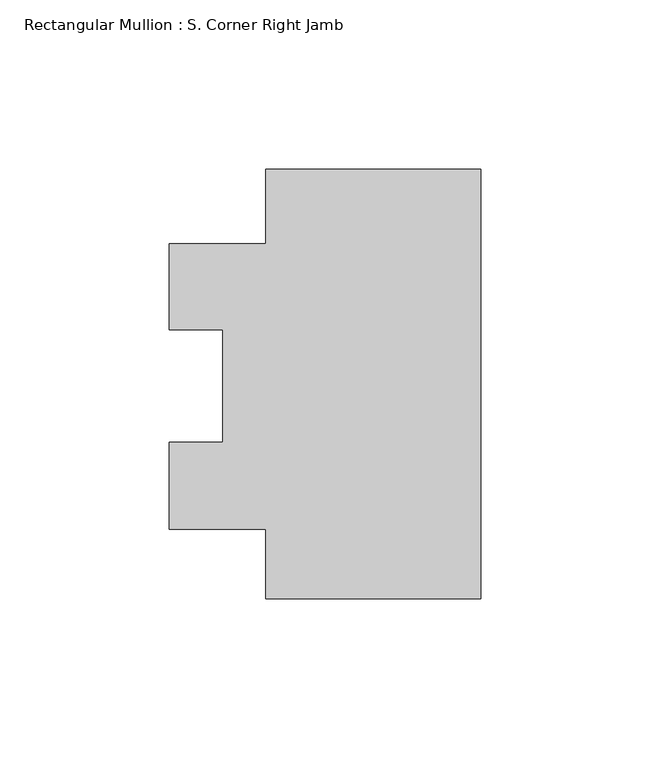
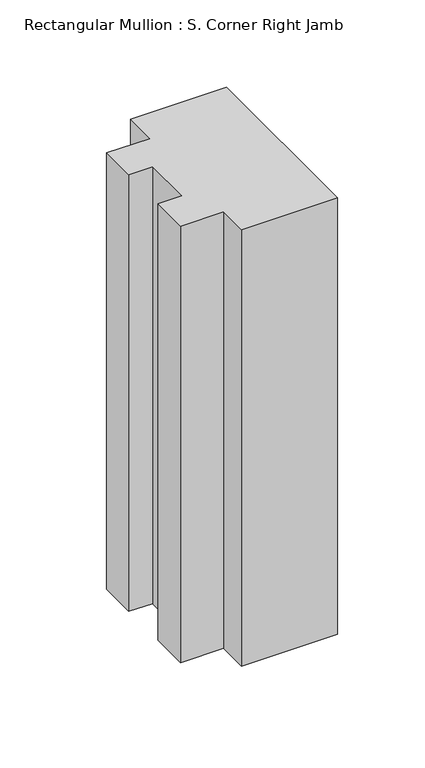
"""IFC4 building model written with IfcOpenShell, lengths in millimetres: member geometry, Rectangular Mullion : S. Corner Right Jamb."""

from ifc_helpers import new_model, si_unit, frame, origin, place, context, project, spatial, polyline, outline, extrude, source, transform, mapped, element, save


def rectangular_mullion_s_corner_right_jamb_1b1fb70d(model_context):
    return source(origin(), model_context, "Body", "SweptSolid", [
        extrude(outline(polyline([(-63.5, 80.97072), (0.0, 80.97072), (0.0, -46.02928), (-63.5, -46.02928), (-63.5, -25.48068), (-92.075, -25.48068), (-92.075, 0.15363), (-76.2, 0.15363), (-76.2, 33.5166513), (-92.075, 33.5166513), (-92.075, 58.84732), (-63.5, 58.84732), (-63.5, 80.97072)])), frame((0.0, 0.0, -304.8), z_axis=(0.0, 0.0, 1.0), x_axis=(1.0, 0.0, 0.0)), (0.0, 0.0, 1.0), 304.8),
    ])


if __name__ == "__main__":
    model = new_model("IFC4")
    model_context = context("Model", 3, world=origin())
    ifc_project = project(units=[si_unit("LENGTHUNIT", "METRE", prefix="MILLI")], contexts=[model_context])
    site = spatial("IfcSite", under=ifc_project)
    building = spatial("IfcBuilding", under=site)
    placement = place(None, origin())
    rectangular_mullion_s_corner_right_jamb_shape = rectangular_mullion_s_corner_right_jamb_1b1fb70d(model_context)
    element("IfcMember", 1, ObjectType="Rectangular Mullion : S. Corner Right Jamb", at=placement, inside=building, context=model_context, shape_type="MappedRepresentation", body=[
        mapped(rectangular_mullion_s_corner_right_jamb_shape, transform((0.0, 0.0, 0.0), x_axis=(1.0, 0.0, 0.0), y_axis=(0.0, 1.0, 0.0), z_axis=(0.0, 0.0, 1.0))),
    ])
    save(model, "model.ifc")
